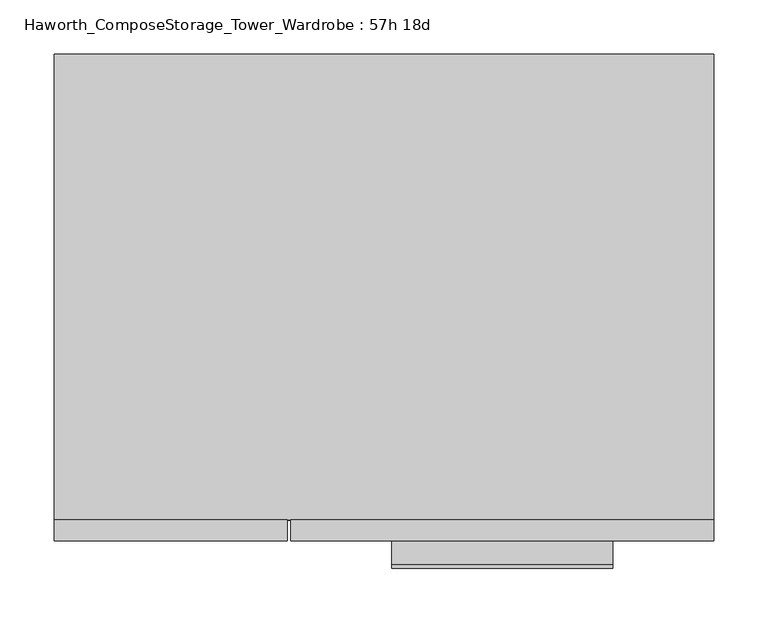
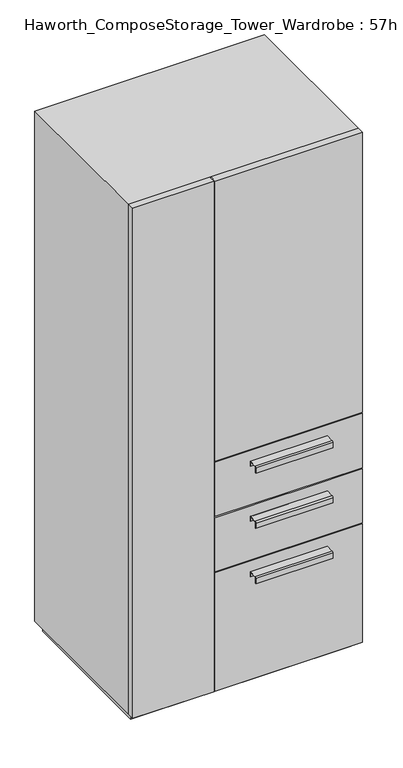
"""IFC4 building model written with IfcOpenShell, lengths in millimetres: furniture geometry, Haworth_ComposeStorage_Tower_Wardrobe : 57h 18d."""

from ifc_helpers import new_model, si_unit, point, frame, frame_2d, origin, origin_with_axes, place, context, project, spatial, polyline, circle_curve, trimmed, segment, composite_curve, outline, extrude, faceted_brep, source, transform, mapped, element, save


def haworth_composestorage_tower_wardrobe_57h_18d_2f6a9773(model_context):
    return source(origin(), model_context, "Body", "SolidModel", [
        extrude(outline(composite_curve([segment(polyline([(-255.5875242, 633.9919215), (-233.3625, 633.9919215), (-233.3625, 620.5299525), (-234.1562742, 620.5299525), (-234.1562742, 633.1982199), (-255.5875242, 633.1982199)]), True, "CONTINUOUS"), segment(trimmed(circle_curve(frame_2d((-255.5875242, 630.8142808)), 2.3839392), [point((-255.5875242, 633.1982199))], [point((-257.9714634, 630.8142808))], True, "CARTESIAN"), True, "CONTINUOUS"), segment(polyline([(-257.9714634, 630.8142808), (-257.9714634, 616.2119021), (-258.7624758, 616.2119021), (-258.7624758, 630.8169699)]), True, "CONTINUOUS"), segment(trimmed(circle_curve(frame_2d((-255.5875242, 630.8169699)), 3.1749516), [point((-258.7624758, 630.8169699))], [point((-255.5875242, 633.9919215))], False, "CARTESIAN"), True, "CONTINUOUS")], self_intersect=False)), frame((7.1576406, 0.0, 0.0), z_axis=(1.0, 0.0, 0.0), x_axis=(0.0, 1.0, 0.0)), (0.0, 0.0, 1.0), 203.2),
        extrude(outline(polyline([(303.2263906, -214.3125), (303.2263906, -233.3625), (-85.7111094, -233.3625), (-85.7111094, -214.3125), (303.2263906, -214.3125)])), frame((0.0, 0.0, 512.7625), z_axis=(0.0, 0.0, 1.0), x_axis=(1.0, 0.0, 0.0)), (0.0, 0.0, 1.0), 150.8125),
        extrude(outline(composite_curve([segment(polyline([(-255.5875242, 480.0044215), (-233.3625, 480.0044215), (-233.3625, 466.5424525), (-234.1562742, 466.5424525), (-234.1562742, 479.2107199), (-255.5875242, 479.2107199)]), True, "CONTINUOUS"), segment(trimmed(circle_curve(frame_2d((-255.5875242, 476.8267808)), 2.3839392), [point((-255.5875242, 479.2107199))], [point((-257.9714634, 476.8267808))], True, "CARTESIAN"), True, "CONTINUOUS"), segment(polyline([(-257.9714634, 476.8267808), (-257.9714634, 462.2244021), (-258.7624758, 462.2244021), (-258.7624758, 476.8294699)]), True, "CONTINUOUS"), segment(trimmed(circle_curve(frame_2d((-255.5875242, 476.8294699)), 3.1749516), [point((-258.7624758, 476.8294699))], [point((-255.5875242, 480.0044215))], False, "CARTESIAN"), True, "CONTINUOUS")], self_intersect=False)), frame((7.1576406, 0.0, 0.0), z_axis=(1.0, 0.0, 0.0), x_axis=(0.0, 1.0, 0.0)), (0.0, 0.0, 1.0), 203.2),
        extrude(outline(polyline([(303.2263906, -214.3125), (303.2263906, -233.3625), (-85.7111094, -233.3625), (-85.7111094, -214.3125), (303.2263906, -214.3125)])), frame((0.0, 0.0, 358.775), z_axis=(0.0, 0.0, 1.0), x_axis=(1.0, 0.0, 0.0)), (0.0, 0.0, 1.0), 150.8125),
        extrude(outline(composite_curve([segment(polyline([(-255.5875242, 326.0169215), (-233.3625, 326.0169215), (-233.3625, 312.5549525), (-234.1562742, 312.5549525), (-234.1562742, 325.2232199), (-255.5875242, 325.2232199)]), True, "CONTINUOUS"), segment(trimmed(circle_curve(frame_2d((-255.5875242, 322.8392808)), 2.3839392), [point((-255.5875242, 325.2232199))], [point((-257.9714634, 322.8392808))], True, "CARTESIAN"), True, "CONTINUOUS"), segment(polyline([(-257.9714634, 322.8392808), (-257.9714634, 308.2369021), (-258.7624758, 308.2369021), (-258.7624758, 322.8419699)]), True, "CONTINUOUS"), segment(trimmed(circle_curve(frame_2d((-255.5875242, 322.8419699)), 3.1749516), [point((-258.7624758, 322.8419699))], [point((-255.5875242, 326.0169215))], False, "CARTESIAN"), True, "CONTINUOUS")], self_intersect=False)), frame((7.1576406, 0.0, 0.0), z_axis=(1.0, 0.0, 0.0), x_axis=(0.0, 1.0, 0.0)), (0.0, 0.0, 1.0), 203.2),
        extrude(outline(polyline([(303.2263906, -214.3125), (303.2263906, -233.3625), (-85.7111094, -233.3625), (-85.7111094, -214.3125), (303.2263906, -214.3125)])), frame((0.0, 0.0, 25.4), z_axis=(0.0, 0.0, 1.0), x_axis=(1.0, 0.0, 0.0)), (0.0, 0.0, 1.0), 330.2),
        extrude(outline(polyline([(303.2263906, -214.3125), (303.2263906, -233.3625), (-85.7111094, -233.3625), (-85.7111094, -214.3125), (303.2263906, -214.3125)])), frame((0.0, 0.0, 666.75), z_axis=(0.0, 0.0, 1.0), x_axis=(1.0, 0.0, 0.0)), (0.0, 0.0, 1.0), 781.05),
        extrude(outline(polyline([(-303.1986094, -233.3625), (-303.1986094, -214.3125), (-88.8861094, -214.3125), (-88.8861094, -233.3625), (-303.1986094, -233.3625)])), frame((0.0, 0.0, 25.4), z_axis=(0.0, 0.0, 1.0), x_axis=(1.0, 0.0, 0.0)), (0.0, 0.0, 1.0), 1422.4),
        faceted_brep([(-303.1986094, -214.3125, 25.4), (303.2263906, -214.3125, 25.4), (303.2263906, -214.3125, 1447.8), (-303.1986094, -214.3125, 1447.8), (-284.1486094, -214.3125, 44.45), (-284.1486094, -214.3125, 1428.75), (284.1694453, -214.3125, 1428.75), (284.1694453, -214.3125, 44.45), (-303.1986094, 214.3125, 25.4), (-303.1986094, 214.3125, 1447.8), (303.2263906, 214.3125, 1447.8), (303.2263906, 214.3125, 25.4), (-284.1486094, 195.2625, 44.45), (-284.1486094, 195.2625, 1428.75), (284.1694453, 195.2625, 1428.75), (284.1694453, 195.2625, 44.45)], [[[0, 1, 2, 3], [4, 5, 6, 7]], [[8, 9, 10, 11]], [[1, 0, 8, 11]], [[2, 1, 11, 10]], [[3, 2, 10, 9]], [[0, 3, 9, 8]], [[5, 4, 12, 13]], [[6, 5, 13, 14]], [[7, 6, 14, 15]], [[4, 7, 15, 12]], [[13, 12, 15, 14]]]),
        extrude(outline(polyline([(290.5263906, -201.6125), (-290.4986094, -201.6125), (-290.4986094, 201.6125), (290.5263906, 201.6125), (290.5263906, -201.6125)])), origin_with_axes(), (0.0, 0.0, 1.0), 25.4),
    ])


if __name__ == "__main__":
    model = new_model("IFC4")
    model_context = context("Model", 3, world=origin())
    ifc_project = project(units=[si_unit("LENGTHUNIT", "METRE", prefix="MILLI")], contexts=[model_context])
    site = spatial("IfcSite", under=ifc_project)
    building = spatial("IfcBuilding", under=site)
    placement = place(None, origin())
    haworth_composestorage_tower_wardrobe_57h_18d_shape = haworth_composestorage_tower_wardrobe_57h_18d_2f6a9773(model_context)
    element("IfcFurniture", 1, ObjectType="Haworth_ComposeStorage_Tower_Wardrobe : 57h 18d", at=placement, inside=building, context=model_context, shape_type="MappedRepresentation", body=[
        mapped(haworth_composestorage_tower_wardrobe_57h_18d_shape, transform((0.0, 0.0, 0.0), x_axis=(1.0, 0.0, 0.0), y_axis=(0.0, 1.0, 0.0), z_axis=(0.0, 0.0, 1.0))),
    ])
    save(model, "model.ifc")
